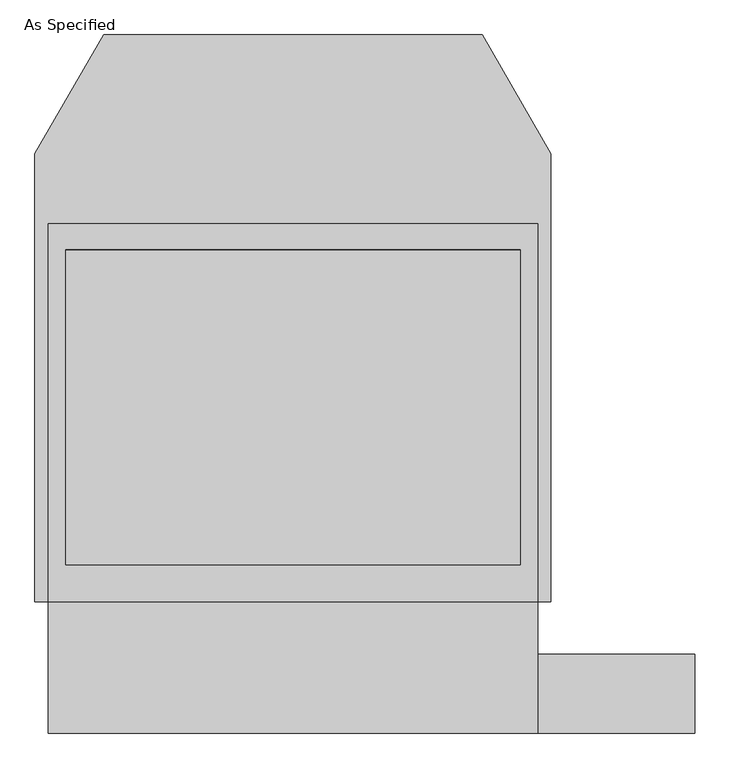
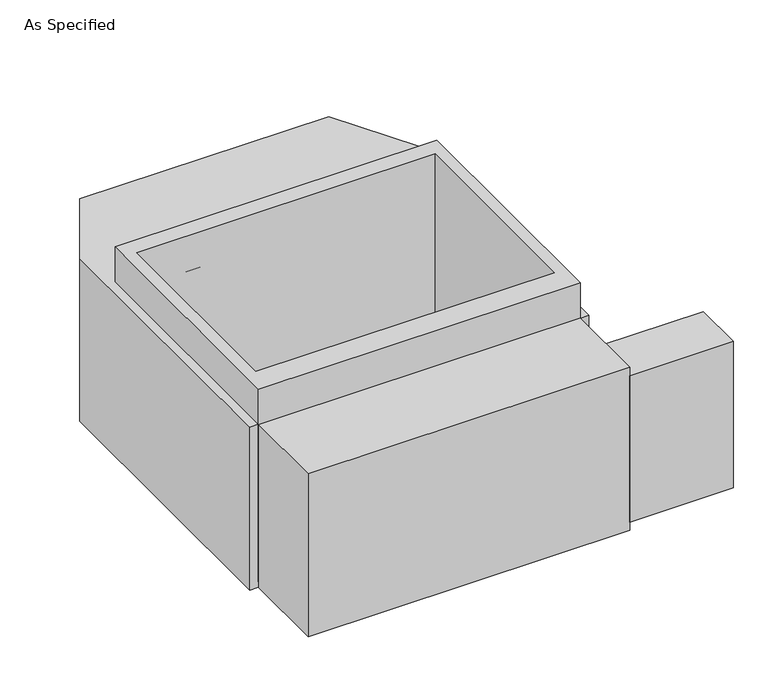
"""IFC4 building model written with IfcOpenShell, lengths in millimetres: proxy geometry, As Specified."""

from ifc_helpers import new_model, si_unit, frame, origin, place, context, project, spatial, polyline, outline, extrude, faceted_brep, source, transform, mapped, element, save


def as_specified_92f5c0e3(model_context):
    return source(origin(), model_context, "Body", "SolidModel", [
        extrude(outline(polyline([(711.2, -1014.1148438), (711.2, -785.5148438), (1168.4, -785.5148438), (1168.4, -1014.1148438), (711.2, -1014.1148438)])), frame((0.0, 0.0, -749.3), z_axis=(0.0, 0.0, 1.0), x_axis=(1.0, 0.0, 0.0)), (0.0, 0.0, 1.0), 685.8),
        extrude(outline(polyline([(711.2, 465.4351562), (711.2, -633.1148438), (-711.2, -633.1148438), (-711.2, 465.4351562), (711.2, 465.4351562)]), holes=[polyline([(-660.4, 389.2748437), (-660.4, -525.1251563), (660.4, -525.1251563), (660.4, 389.2748437), (-660.4, 389.2748437)])]), frame((0.0, 0.0, -762.0), z_axis=(0.0, 0.0, 1.0), x_axis=(1.0, 0.0, 0.0)), (0.0, 0.0, 1.0), 901.7),
        faceted_brep([(711.2, -1014.1148438, -787.4), (-711.2, -1014.1148438, -787.4), (-711.2, -633.1148438, -787.4), (-749.3, -633.1148438, -787.4), (-749.3, 668.6748437, -787.4), (-549.860123, 1014.1148437, -787.4), (549.860123, 1014.1148437, -787.4), (749.3, 668.6748437, -787.4), (749.3, -633.1148438, -787.4), (711.2, -633.1148438, -787.4), (711.2, -1014.1148438, -25.4), (711.2, -633.1148438, -25.4), (749.3, -633.1148438, -25.4), (749.3, 668.6748437, -25.4), (549.860123, 1014.1148437, -25.4), (-549.860123, 1014.1148437, -25.4), (-749.3, 668.6748437, -25.4), (-749.3, -633.1148438, -25.4), (-711.2, -633.1148438, -25.4), (-711.2, -1014.1148438, -25.4), (660.4, 389.2748437, -25.4), (660.4, -525.1251563, -25.4), (-660.4, -525.1251563, -25.4), (-660.4, 389.2748437, -25.4), (660.4, 389.2748437, -762.0), (-660.4, 389.2748437, -762.0), (-660.4, -525.1251563, -762.0), (660.4, -525.1251563, -762.0)], [[[0, 1, 2, 3, 4, 5, 6, 7, 8, 9]], [[10, 11, 12, 13, 14, 15, 16, 17, 18, 19], [20, 21, 22, 23]], [[6, 5, 15, 14]], [[3, 17, 16, 4]], [[17, 3, 2, 18]], [[8, 12, 11, 9]], [[12, 8, 7, 13]], [[0, 9, 11, 10]], [[2, 1, 19, 18]], [[1, 0, 10, 19]], [[5, 4, 16, 15]], [[7, 6, 14, 13]], [[24, 25, 26, 27]], [[24, 27, 21, 20]], [[27, 26, 22, 21]], [[26, 25, 23, 22]], [[25, 24, 20, 23]]]),
    ])


if __name__ == "__main__":
    model = new_model("IFC4")
    model_context = context("Model", 3, world=origin())
    ifc_project = project(units=[si_unit("LENGTHUNIT", "METRE", prefix="MILLI")], contexts=[model_context])
    site = spatial("IfcSite", under=ifc_project)
    building = spatial("IfcBuilding", under=site)
    placement = place(None, origin())
    as_specified_shape = as_specified_92f5c0e3(model_context)
    element("IfcBuildingElementProxy", 1, Name="As Specified", ObjectType="As Specified", at=placement, inside=building, context=model_context, shape_type="MappedRepresentation", body=[
        mapped(as_specified_shape, transform((0.0, 0.0, 0.0), x_axis=(1.0, 0.0, 0.0), y_axis=(0.0, 1.0, 0.0), z_axis=(0.0, 0.0, 1.0))),
    ])
    save(model, "model.ifc")
